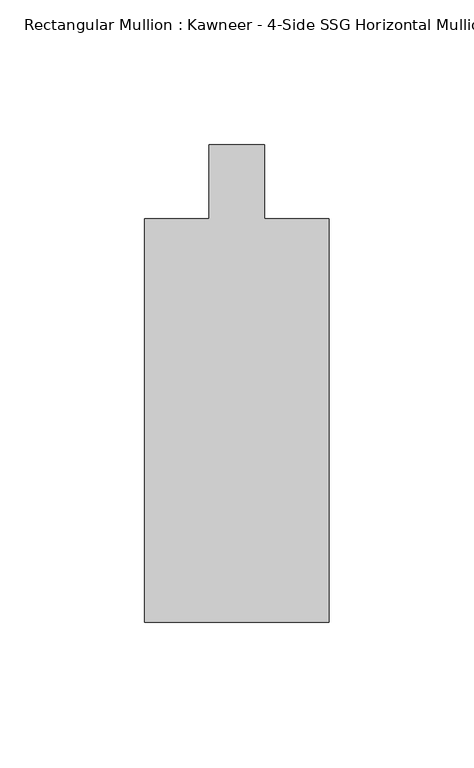
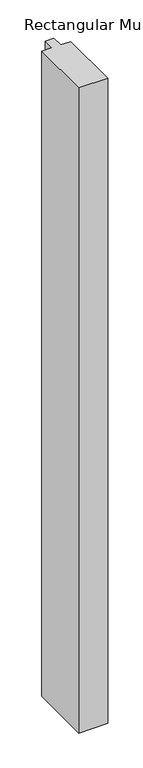
"""IFC4 building model written with IfcOpenShell, lengths in millimetres: member geometry."""

from ifc_helpers import new_model, si_unit, frame, origin, place, context, project, spatial, polyline, outline, extrude, source, transform, mapped, element, save


def member_fa95e80c(model_context):
    return source(origin(), model_context, "Body", "SweptSolid", [
        extrude(outline(polyline([(-31.75, -151.892), (-31.75, -12.7), (-9.5251132, -12.7), (-9.5251132, 12.7), (9.5251132, 12.7), (9.5251132, -12.7), (31.75, -12.7), (31.75, -151.892), (-31.75, -151.892)])), frame((0.0, 0.0, -1484.608135), z_axis=(0.0, 0.0, 1.0), x_axis=(1.0, 0.0, 0.0)), (0.0, 0.0, 1.0), 1484.608135),
    ])


if __name__ == "__main__":
    model = new_model("IFC4")
    model_context = context("Model", 3, world=origin())
    ifc_project = project(units=[si_unit("LENGTHUNIT", "METRE", prefix="MILLI")], contexts=[model_context])
    site = spatial("IfcSite", under=ifc_project)
    building = spatial("IfcBuilding", under=site)
    placement = place(None, origin())
    member_shape = member_fa95e80c(model_context)
    element("IfcMember", 1, ObjectType="Rectangular Mullion : Kawneer - 4-Side SSG Horizontal Mullion - 6 1/2\"", at=placement, inside=building, context=model_context, shape_type="MappedRepresentation", body=[
        mapped(member_shape, transform((0.0, 0.0, 0.0), x_axis=(1.0, 0.0, 0.0), y_axis=(0.0, 1.0, 0.0), z_axis=(0.0, 0.0, 1.0))),
    ])
    save(model, "model.ifc")
